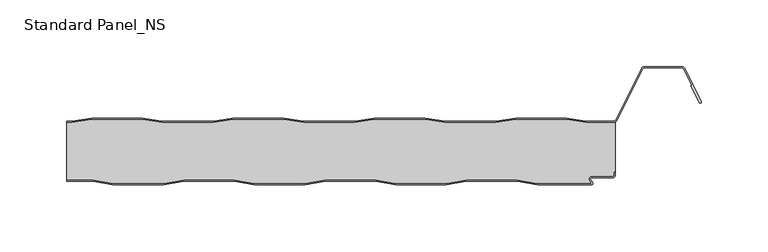
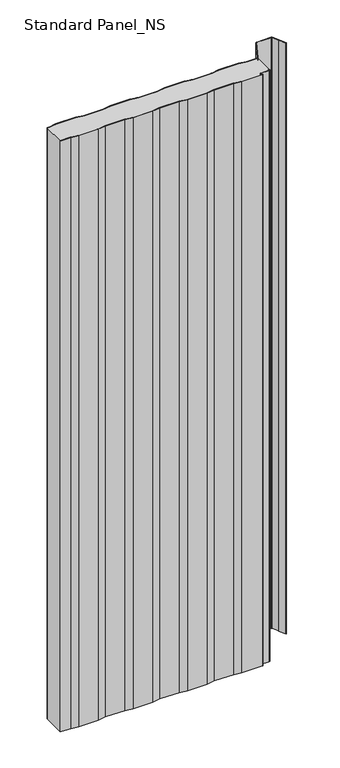
"""IFC4 building model written with IfcOpenShell, lengths in millimetres: proxy geometry, Standard Panel_NS."""

from ifc_helpers import new_model, si_unit, point, frame, frame_2d, origin, origin_with_axes, place, context, project, spatial, polyline, circle_curve, trimmed, segment, composite_curve, outline, extrude, source, transform, mapped, element, save
from ifc_brep_helpers import plane_surface, cylinder_surface, revolved_surface, advanced_brep


def standard_panel_ns_f74131c4(model_context):
    return source(origin(), model_context, "Body", "SolidModel", [
        extrude(outline(composite_curve([segment(polyline([(-203.6028864, 3.3), (-188.6028864, 0.8), (-150.7353064, 0.8), (-135.7353064, 3.3), (-97.6028864, 3.3), (-82.6028864, 0.8), (-44.7353064, 0.8), (-29.7353064, 3.3), (8.3971136, 3.3), (23.3971136, 0.8), (61.2646936, 0.8), (76.2646936, 3.3), (114.3971136, 3.3), (129.3971136, 0.8), (170.5052217, 0.8), (168.869845, 3.3204106)]), True, "CONTINUOUS"), segment(trimmed(circle_curve(frame_2d((170.3798342, 4.3001721)), 1.8), [point((168.869845, 3.3204106))], [point((170.3798342, 6.1001721))], False, "CARTESIAN"), True, "CONTINUOUS"), segment(polyline([(170.3798342, 6.1001721), (185.9659043, 6.1001721)]), True, "CONTINUOUS"), segment(trimmed(circle_curve(frame_2d((185.9659043, 7.4001714)), 1.2999993), [point((185.9659043, 6.1001721))], [point((187.2659036, 7.4001714))], True, "CARTESIAN"), True, "CONTINUOUS"), segment(polyline([(187.2659036, 7.4001714), (187.2659036, 9.4001722), (188.0659036, 9.4001722), (188.0659036, 7.4001714)]), True, "CONTINUOUS"), segment(trimmed(circle_curve(frame_2d((185.9659043, 7.4001714)), 2.0999993), [point((188.0659036, 7.4001714))], [point((185.9659043, 5.3001721))], False, "CARTESIAN"), True, "CONTINUOUS"), segment(polyline([(185.9659043, 5.3001721), (170.3798342, 5.3001721)]), True, "CONTINUOUS"), segment(trimmed(circle_curve(frame_2d((170.3798342, 4.3001721)), 1.0), [point((170.3798342, 5.3001721))], [point((169.5409513, 3.7558601))], True, "CARTESIAN"), True, "CONTINUOUS"), segment(polyline([(169.5409513, 3.7558601), (170.9759217, 1.5443119)]), True, "CONTINUOUS"), segment(trimmed(circle_curve(frame_2d((170.1370388, 1.0)), 1.0), [point((170.9759217, 1.5443119))], [point((170.1370388, 0.0))], False, "CARTESIAN"), True, "CONTINUOUS"), segment(polyline([(170.1370388, 0.0), (129.3309036, 0.0), (114.3309036, 2.5), (76.3309036, 2.5), (61.3309036, 0.0), (23.3309036, 0.0), (8.3309036, 2.5), (-29.6690964, 2.5), (-44.6690964, 0.0), (-82.6690964, 0.0), (-97.6690964, 2.5), (-135.6690964, 2.5), (-150.6690964, 0.0), (-188.6690964, 0.0), (-203.6690964, 2.5), (-223.4042607, 2.5), (-223.4042607, 3.3), (-203.6028864, 3.3)]), True, "CONTINUOUS")], self_intersect=False)), origin_with_axes(), (0.0, 0.0, 1.0), 1219.2),
        extrude(outline(composite_curve([segment(polyline([(-219.5261524, 47.5), (-204.6867594, 50.0), (-166.4777146, 50.0), (-151.6383215, 47.5), (-113.5261524, 47.5), (-98.6867594, 50.0), (-60.4777146, 50.0), (-45.6383215, 47.5), (-7.5261524, 47.5), (7.3132406, 50.0), (45.5222854, 50.0), (60.3616785, 47.5), (98.4738476, 47.5), (113.3132406, 50.0), (151.5222854, 50.0), (166.3616785, 47.5), (186.5082999, 47.5)]), True, "CONTINUOUS"), segment(trimmed(circle_curve(frame_2d((186.5082999, 49.8)), 2.3), [point((186.5082999, 47.5))], [point((188.5664438, 48.7733338))], True, "CARTESIAN"), True, "CONTINUOUS"), segment(polyline([(188.5664438, 48.7733338), (207.7687355, 87.2679093)]), True, "CONTINUOUS"), segment(trimmed(circle_curve(frame_2d((209.8268795, 86.241243)), 2.3), [point((207.7687355, 87.2679093))], [point((209.8268795, 88.541243))], False, "CARTESIAN"), True, "CONTINUOUS"), segment(polyline([(209.8268795, 88.541243), (237.9816419, 88.541243)]), True, "CONTINUOUS"), segment(trimmed(circle_curve(frame_2d((237.9816419, 86.241243)), 2.3), [point((237.9816419, 88.541243))], [point((240.039338, 87.2688066))], False, "CARTESIAN"), True, "CONTINUOUS"), segment(polyline([(240.039338, 87.2688066), (252.4495038, 62.4174495)]), True, "CONTINUOUS"), segment(trimmed(circle_curve(frame_2d((251.7337834, 62.0600361)), 0.8), [point((252.4495038, 62.4174495))], [point((251.018063, 61.7026227))], False, "CARTESIAN"), True, "CONTINUOUS"), segment(polyline([(251.018063, 61.7026227), (244.6739749, 74.4066593), (245.3896952, 74.7640727), (239.3236176, 86.9113932)]), True, "CONTINUOUS"), segment(trimmed(circle_curve(frame_2d((237.9816419, 86.241243)), 1.5), [point((239.3236176, 86.9113932))], [point((237.9816419, 87.741243))], True, "CARTESIAN"), True, "CONTINUOUS"), segment(polyline([(237.9816419, 87.741243), (209.8268795, 87.741243)]), True, "CONTINUOUS"), segment(trimmed(circle_curve(frame_2d((209.8268795, 86.241243)), 1.5), [point((209.8268795, 87.741243))], [point((208.4846117, 86.910808))], True, "CARTESIAN"), True, "CONTINUOUS"), segment(polyline([(208.4846117, 86.910808), (189.28232, 48.4162325)]), True, "CONTINUOUS"), segment(trimmed(circle_curve(frame_2d((186.5082999, 49.8)), 3.1), [point((189.28232, 48.4162325))], [point((186.5082999, 46.7))], False, "CARTESIAN"), True, "CONTINUOUS"), segment(polyline([(186.5082999, 46.7), (166.2947617, 46.7), (151.4553687, 49.2), (113.3801573, 49.2), (98.5407643, 46.7), (60.2947617, 46.7), (45.4553687, 49.2), (7.3801573, 49.2), (-7.4592357, 46.7), (-45.7052383, 46.7), (-60.5446313, 49.2), (-98.6198427, 49.2), (-113.4592357, 46.7), (-151.7052383, 46.7), (-166.5446313, 49.2), (-204.6198427, 49.2), (-219.4592357, 46.7), (-223.4042607, 46.7), (-223.4042607, 47.5), (-219.5261524, 47.5)]), True, "CONTINUOUS")], self_intersect=False)), origin_with_axes(), (0.0, 0.0, 1.0), 1219.2),
        advanced_brep(
        [(188.136916, 47.1622719, 1219.2), (186.5082999, 46.7, 1219.2), (166.2947617, 46.7, 1219.2), (151.4553687, 49.2, 1219.2), (113.3801573, 49.2, 1219.2), (98.5407643, 46.7, 1219.2), (60.2947617, 46.7, 1219.2), (45.4553687, 49.2, 1219.2), (7.3801573, 49.2, 1219.2), (-7.4592357, 46.7, 1219.2), (-45.7052383, 46.7, 1219.2), (-60.5446313, 49.2, 1219.2), (-98.6198427, 49.2, 1219.2), (-113.4592357, 46.7, 1219.2), (-151.7052383, 46.7, 1219.2), (-166.5446313, 49.2, 1219.2), (-204.6198427, 49.2, 1219.2), (-219.4592357, 46.7, 1219.2), (-223.4042607, 46.7, 1219.2), (-223.4042607, 3.3, 1219.2), (-203.6028864, 3.3, 1219.2), (-188.6028864, 0.8, 1219.2), (-150.7353064, 0.8, 1219.2), (-135.7353064, 3.3, 1219.2), (-97.6028864, 3.3, 1219.2), (-82.6028864, 0.8, 1219.2), (-44.7353064, 0.8, 1219.2), (-29.7353064, 3.3, 1219.2), (8.3971136, 3.3, 1219.2), (23.3971136, 0.8, 1219.2), (61.2646936, 0.8, 1219.2), (76.2646936, 3.3, 1219.2), (114.3971136, 3.3, 1219.2), (129.3971136, 0.8, 1219.2), (170.5052217, 0.8, 1219.2), (168.869845, 3.3204106, 1219.2), (170.3798342, 6.1001721, 1219.2), (185.9659043, 6.1001721, 1219.2), (187.2659036, 7.4001714, 1219.2), (187.2659036, 9.4001722, 1219.2), (188.1042607, 9.4, 1219.2), (-219.4592357, 46.7, 0.0), (-204.6198427, 49.2, 0.0), (-166.5446313, 49.2, 0.0), (-151.7052383, 46.7, 0.0), (-113.4592357, 46.7, 0.0), (-98.6198427, 49.2, 0.0), (-60.5446313, 49.2, 0.0), (-45.7052383, 46.7, 0.0), (-7.4592357, 46.7, 0.0), (7.3801573, 49.2, 0.0), (45.4553687, 49.2, 0.0), (60.2947617, 46.7, 0.0), (98.5407643, 46.7, 0.0), (113.3801573, 49.2, 0.0), (151.4553687, 49.2, 0.0), (166.2947617, 46.7, 0.0), (186.5082999, 46.7, 0.0), (188.136916, 47.1622719, 0.0), (188.1042607, 9.4, 0.0), (187.2659036, 9.4, 0.0), (187.2659036, 7.4001714, 0.0), (185.9659043, 6.1001721, 0.0), (170.3798342, 6.1001721, 0.0), (168.869845, 3.3204106, 0.0), (170.5052217, 0.8, 0.0), (129.3971136, 0.8, 0.0), (114.3971136, 3.3, 0.0), (76.2646936, 3.3, 0.0), (61.2646936, 0.8, 0.0), (23.3971136, 0.8, 0.0), (8.3971136, 3.3, 0.0), (-29.7353064, 3.3, 0.0), (-44.7353064, 0.8, 0.0), (-82.6028864, 0.8, 0.0), (-97.6028864, 3.3, 0.0), (-135.7353064, 3.3, 0.0), (-150.7353064, 0.8, 0.0), (-188.6028864, 0.8, 0.0), (-203.6028864, 3.3, 0.0), (-223.4042607, 3.3, 0.0), (-223.4042607, 46.7, 0.0)],
        [
            (0, 1, circle_curve(frame((186.5082999, 49.8, 1219.2), z_axis=(0.0, 0.0, -1.0), x_axis=(-1.0, 0.0, 0.0)), 3.1)),
            (1, 2),
            (2, 3),
            (3, 4),
            (4, 5),
            (5, 6),
            (6, 7),
            (7, 8),
            (8, 9),
            (9, 10),
            (10, 11),
            (11, 12),
            (12, 13),
            (13, 14),
            (14, 15),
            (15, 16),
            (16, 17),
            (17, 18),
            (18, 19),
            (19, 20),
            (20, 21),
            (21, 22),
            (22, 23),
            (23, 24),
            (24, 25),
            (25, 26),
            (26, 27),
            (27, 28),
            (28, 29),
            (29, 30),
            (30, 31),
            (31, 32),
            (32, 33),
            (33, 34),
            (34, 35),
            (35, 36, circle_curve(frame((170.3798342, 4.3001721, 1219.2), z_axis=(0.0, 0.0, -1.0), x_axis=(-1.0, 0.0, 0.0)), 1.8)),
            (36, 37),
            (37, 38, circle_curve(frame((185.9659043, 7.4001714, 1219.2), z_axis=(0.0, 0.0, 1.0), x_axis=(-1.0, 0.0, 0.0)), 1.2999993)),
            (38, 39),
            (39, 40),
            (40, 0),
            (41, 42),
            (42, 43),
            (43, 44),
            (44, 45),
            (45, 46),
            (46, 47),
            (47, 48),
            (48, 49),
            (49, 50),
            (50, 51),
            (51, 52),
            (52, 53),
            (53, 54),
            (54, 55),
            (55, 56),
            (56, 57),
            (57, 58, circle_curve(frame((186.5082999, 49.8, 0.0), z_axis=(0.0, 0.0, 1.0), x_axis=(-1.0, 0.0, 0.0)), 3.1)),
            (58, 59),
            (59, 60),
            (60, 61),
            (61, 62, circle_curve(frame((185.9659043, 7.4001714, 0.0), z_axis=(0.0, 0.0, -1.0), x_axis=(-1.0, 0.0, 0.0)), 1.2999993)),
            (62, 63),
            (63, 64, circle_curve(frame((170.3798342, 4.3001721, 0.0), z_axis=(0.0, 0.0, 1.0), x_axis=(-1.0, 0.0, 0.0)), 1.8)),
            (64, 65),
            (65, 66),
            (66, 67),
            (67, 68),
            (68, 69),
            (69, 70),
            (70, 71),
            (71, 72),
            (72, 73),
            (73, 74),
            (74, 75),
            (75, 76),
            (76, 77),
            (77, 78),
            (78, 79),
            (79, 80),
            (80, 81),
            (81, 41),
            (58, 0),
            (40, 59),
            (57, 1),
            (56, 2),
            (55, 3),
            (54, 4),
            (53, 5),
            (52, 6),
            (51, 7),
            (50, 8),
            (49, 9),
            (48, 10),
            (47, 11),
            (46, 12),
            (45, 13),
            (44, 14),
            (43, 15),
            (42, 16),
            (41, 17),
            (81, 18),
            (39, 60),
            (79, 20),
            (19, 80),
            (78, 21),
            (77, 22),
            (76, 23),
            (75, 24),
            (74, 25),
            (73, 26),
            (72, 27),
            (71, 28),
            (70, 29),
            (69, 30),
            (68, 31),
            (67, 32),
            (66, 33),
            (65, 34),
            (64, 35),
            (63, 36),
            (62, 37),
            (61, 38),
        ],
        [
            plane_surface(frame((-276.0957393, 49.2, 1219.2), z_axis=(0.0, 0.0, 1.0), x_axis=(0.0, 1.0, 0.0))),
            plane_surface(frame((-276.0957393, 49.2, 0.0), z_axis=(0.0, 0.0, -1.0), x_axis=(0.0, 1.0, 0.0))),
            plane_surface(frame((188.136916, 44.25, 1219.2), z_axis=(1.0, 0.0, 0.0), x_axis=(0.0, 0.0, -1.0))),
            revolved_surface(polyline([(183.4082999, 49.8, 0.0), (183.4082999, 49.8, 1219.2)]), (186.5082999, 49.8, 1219.2), (0.0, 0.0, -1.0)),
            plane_surface(frame((186.5082999, 46.7, 1219.2), z_axis=(0.0, 1.0, 0.0), x_axis=(0.0, 0.0, -1.0))),
            plane_surface(frame((166.2947617, 46.7, 1219.2), z_axis=(0.16612942863435848, 0.9861039564577467, 0.0), x_axis=(0.0, 0.0, -1.0))),
            plane_surface(frame((151.4553687, 49.2, 1219.2), z_axis=(0.0, 1.0, 0.0), x_axis=(0.0, 0.0, -1.0))),
            plane_surface(frame((113.3801573, 49.2, 1219.2), z_axis=(-0.16612942863454067, 0.9861039564577161, 0.0), x_axis=(0.0, 0.0, -1.0))),
            plane_surface(frame((98.5407643, 46.7, 1219.2), z_axis=(0.0, 1.0, 0.0), x_axis=(0.0, 0.0, -1.0))),
            plane_surface(frame((60.2947617, 46.7, 1219.2), z_axis=(0.1661294286345235, 0.986103956457719, 0.0), x_axis=(0.0, 0.0, -1.0))),
            plane_surface(frame((45.4553687, 49.2, 1219.2), z_axis=(0.0, 1.0, 0.0), x_axis=(0.0, 0.0, -1.0))),
            plane_surface(frame((7.3801573, 49.2, 1219.2), z_axis=(-0.16612942863454067, 0.9861039564577161, 0.0), x_axis=(0.0, 0.0, -1.0))),
            plane_surface(frame((-7.4592357, 46.7, 1219.2), z_axis=(0.0, 1.0, 0.0), x_axis=(0.0, 0.0, -1.0))),
            plane_surface(frame((-45.7052383, 46.7, 1219.2), z_axis=(0.16612942863435848, 0.9861039564577467, 0.0), x_axis=(0.0, 0.0, -1.0))),
            plane_surface(frame((-60.5446313, 49.2, 1219.2), z_axis=(0.0, 1.0, 0.0), x_axis=(0.0, 0.0, -1.0))),
            plane_surface(frame((-98.6198427, 49.2, 1219.2), z_axis=(-0.16612942863472926, 0.9861039564576843, 0.0), x_axis=(0.0, 0.0, -1.0))),
            plane_surface(frame((-113.4592357, 46.7, 1219.2), z_axis=(0.0, 1.0, 0.0), x_axis=(0.0, 0.0, -1.0))),
            plane_surface(frame((-151.7052383, 46.7, 1219.2), z_axis=(0.1661294286345235, 0.986103956457719, 0.0), x_axis=(0.0, 0.0, -1.0))),
            plane_surface(frame((-166.5446313, 49.2, 1219.2), z_axis=(0.0, 1.0, 0.0), x_axis=(0.0, 0.0, -1.0))),
            plane_surface(frame((-204.6198427, 49.2, 1219.2), z_axis=(-0.16612942863435204, 0.9861039564577478, 0.0), x_axis=(0.0, 0.0, -1.0))),
            plane_surface(frame((-219.4592357, 46.7, 1219.2), z_axis=(0.0, 1.0, 0.0), x_axis=(0.0, 0.0, -1.0))),
            plane_surface(frame((-811.8956486, 9.4, 1219.2), z_axis=(0.0, -1.0, 0.0), x_axis=(0.0, 0.0, -1.0))),
            plane_surface(frame((-241.7353064, 3.3, 1219.2), z_axis=(0.0, -1.0, 0.0), x_axis=(0.0, 0.0, -1.0))),
            plane_surface(frame((-203.6028864, 3.3, 1219.2), z_axis=(-0.1643989873053467, -0.9863939238321456, 0.0), x_axis=(0.0, 0.0, -1.0))),
            plane_surface(frame((-188.6028864, 0.8, 1219.2), z_axis=(0.0, -1.0, 0.0), x_axis=(0.0, 0.0, -1.0))),
            plane_surface(frame((-150.7353064, 0.8, 1219.2), z_axis=(0.1643989873053679, -0.9863939238321421, 0.0), x_axis=(0.0, 0.0, -1.0))),
            plane_surface(frame((-135.7353064, 3.3, 1219.2), z_axis=(0.0, -1.0, 0.0), x_axis=(0.0, 0.0, -1.0))),
            plane_surface(frame((-97.6028864, 3.3, 1219.2), z_axis=(-0.1643989873053467, -0.9863939238321456, 0.0), x_axis=(0.0, 0.0, -1.0))),
            plane_surface(frame((-82.6028864, 0.8, 1219.2), z_axis=(0.0, -1.0, 0.0), x_axis=(0.0, 0.0, -1.0))),
            plane_surface(frame((-44.7353064, 0.8, 1219.2), z_axis=(0.16439898730518315, -0.9863939238321728, 0.0), x_axis=(0.0, 0.0, -1.0))),
            plane_surface(frame((-29.7353064, 3.3, 1219.2), z_axis=(0.0, -1.0, 0.0), x_axis=(0.0, 0.0, -1.0))),
            plane_surface(frame((8.3971136, 3.3, 1219.2), z_axis=(-0.1643989873053467, -0.9863939238321456, 0.0), x_axis=(0.0, 0.0, -1.0))),
            plane_surface(frame((23.3971136, 0.8, 1219.2), z_axis=(0.0, -1.0, 0.0), x_axis=(0.0, 0.0, -1.0))),
            plane_surface(frame((61.2646936, 0.8, 1219.2), z_axis=(0.1643989873053679, -0.9863939238321421, 0.0), x_axis=(0.0, 0.0, -1.0))),
            plane_surface(frame((76.2646936, 3.3, 1219.2), z_axis=(0.0, -1.0, 0.0), x_axis=(0.0, 0.0, -1.0))),
            plane_surface(frame((114.3971136, 3.3, 1219.2), z_axis=(-0.16439898730516195, -0.9863939238321764, 0.0), x_axis=(0.0, 0.0, -1.0))),
            plane_surface(frame((129.3971136, 0.8, 1219.2), z_axis=(0.0, -1.0, 0.0), x_axis=(0.0, 0.0, -1.0))),
            plane_surface(frame((170.5052217, 0.8, 1219.2), z_axis=(0.8388828900539764, 0.5443119480359477, 0.0), x_axis=(0.0, 0.0, -1.0))),
            revolved_surface(polyline([(168.5798342, 4.3001721, 0.0), (168.5798342, 4.3001721, 1219.2)]), (170.3798342, 4.3001721, 1219.2), (0.0, 0.0, -1.0)),
            plane_surface(frame((170.3798342, 6.1001721, 1219.2), z_axis=(0.0, -1.0, 0.0), x_axis=(0.0, 0.0, -1.0))),
            cylinder_surface(frame((185.9659043, 7.4001714, 1219.2), z_axis=(0.0, 0.0, 1.0), x_axis=(-1.0, 0.0, 0.0)), 1.2999993),
            plane_surface(frame((187.2659036, 7.4001714, 1219.2), z_axis=(1.0, 0.0, 0.0), x_axis=(0.0, 0.0, -1.0))),
            plane_surface(frame((-223.4042607, -30.0, 1219.2), z_axis=(-1.0, 0.0, 0.0), x_axis=(0.0, 0.0, -1.0))),
        ],
        [
            (0, [[1, 2, 3, 4, 5, 6, 7, 8, 9, 10, 11, 12, 13, 14, 15, 16, 17, 18, 19, 20, 21, 22, 23, 24, 25, 26, 27, 28, 29, 30, 31, 32, 33, 34, 35, 36, 37, 38, 39, 40, 41]]),
            (1, [[42, 43, 44, 45, 46, 47, 48, 49, 50, 51, 52, 53, 54, 55, 56, 57, 58, 59, 60, 61, 62, 63, 64, 65, 66, 67, 68, 69, 70, 71, 72, 73, 74, 75, 76, 77, 78, 79, 80, 81, 82]]),
            (2, [[83, -41, 84, -59]]),
            (3, [[-1, -83, -58, 85]]),
            (4, [[-2, -85, -57, 86]]),
            (5, [[-3, -86, -56, 87]]),
            (6, [[-4, -87, -55, 88]]),
            (7, [[-5, -88, -54, 89]]),
            (8, [[-6, -89, -53, 90]]),
            (9, [[-7, -90, -52, 91]]),
            (10, [[-8, -91, -51, 92]]),
            (11, [[-9, -92, -50, 93]]),
            (12, [[-10, -93, -49, 94]]),
            (13, [[-11, -94, -48, 95]]),
            (14, [[-12, -95, -47, 96]]),
            (15, [[-13, -96, -46, 97]]),
            (16, [[-14, -97, -45, 98]]),
            (17, [[-15, -98, -44, 99]]),
            (18, [[-16, -99, -43, 100]]),
            (19, [[-17, -100, -42, 101]]),
            (20, [[-101, -82, 102, -18]]),
            (21, [[-84, -40, 103, -60]]),
            (22, [[104, -20, 105, -80]]),
            (23, [[-21, -104, -79, 106]]),
            (24, [[-22, -106, -78, 107]]),
            (25, [[-23, -107, -77, 108]]),
            (26, [[-24, -108, -76, 109]]),
            (27, [[-25, -109, -75, 110]]),
            (28, [[-26, -110, -74, 111]]),
            (29, [[-27, -111, -73, 112]]),
            (30, [[-28, -112, -72, 113]]),
            (31, [[-29, -113, -71, 114]]),
            (32, [[-30, -114, -70, 115]]),
            (33, [[-31, -115, -69, 116]]),
            (34, [[-32, -116, -68, 117]]),
            (35, [[-33, -117, -67, 118]]),
            (36, [[-34, -118, -66, 119]]),
            (37, [[-35, -119, -65, 120]]),
            (38, [[-36, -120, -64, 121]]),
            (39, [[-37, -121, -63, 122]]),
            (40, [[-38, -122, -62, 123]]),
            (41, [[-39, -123, -61, -103]]),
            (42, [[-19, -102, -81, -105]]),
        ],
    ),
    ])


if __name__ == "__main__":
    model = new_model("IFC4")
    model_context = context("Model", 3, world=origin())
    ifc_project = project(units=[si_unit("LENGTHUNIT", "METRE", prefix="MILLI")], contexts=[model_context])
    site = spatial("IfcSite", under=ifc_project)
    building = spatial("IfcBuilding", under=site)
    placement = place(None, origin())
    standard_panel_ns_shape = standard_panel_ns_f74131c4(model_context)
    element("IfcBuildingElementProxy", 1, Name="Standard Panel_NS", ObjectType="Standard Panel_NS", at=placement, inside=building, context=model_context, shape_type="MappedRepresentation", body=[
        mapped(standard_panel_ns_shape, transform((0.0, 0.0, 0.0), x_axis=(1.0, 0.0, 0.0), y_axis=(0.0, 1.0, 0.0), z_axis=(0.0, 0.0, 1.0))),
    ])
    save(model, "model.ifc")
